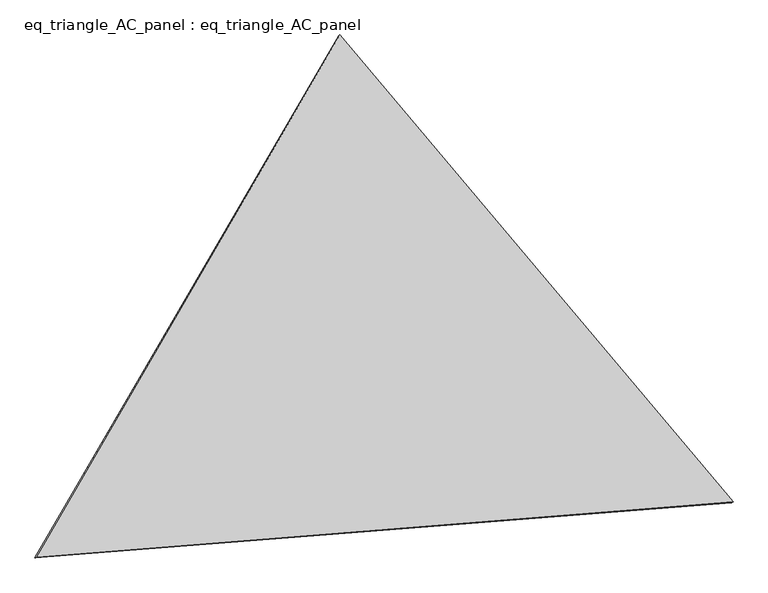
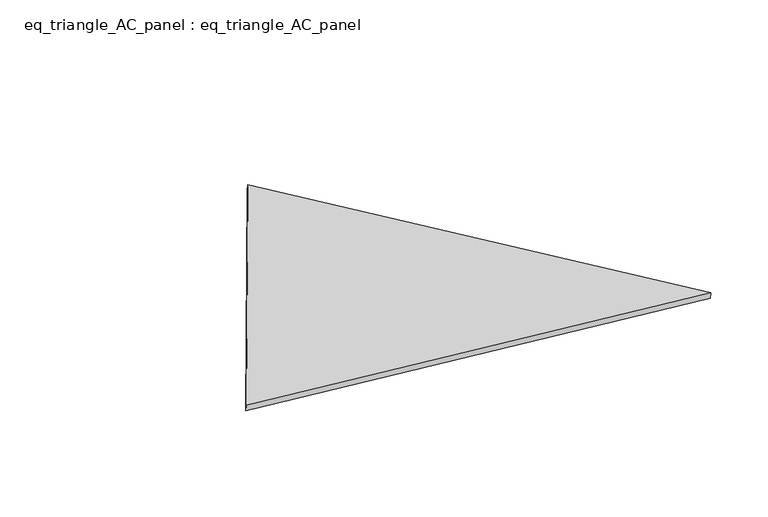
"""IFC4 building model written with IfcOpenShell, lengths in millimetres: proxy geometry, eq_triangle_AC_panel : eq_triangle_AC_panel."""

from ifc_helpers import new_model, si_unit, frame, origin, place, context, project, spatial, polyline, outline, extrude, source, transform, mapped, element, save


def eq_triangle_ac_panel_eq_triangle_ac_panel_ca3604b1(model_context):
    return source(origin(), model_context, "Body", "SweptSolid", [
        extrude(outline(polyline([(-1545.5360696, 1096.9348356), (1940.6188186, 1096.9348357), (-395.0827491, -2193.8696712), (-1545.5360696, 1096.9348356)])), frame((0.0038051, 527.9290861, 89.8240019), z_axis=(0.14526328518058187, 0.08386570281802178, 0.9858321976225894), x_axis=(0.6434012542711849, -0.7649515786664899, -0.029730595317134696)), (0.0, 0.0, 1.0), 43.8306294),
    ])


if __name__ == "__main__":
    model = new_model("IFC4")
    model_context = context("Model", 3, world=origin())
    ifc_project = project(units=[si_unit("LENGTHUNIT", "METRE", prefix="MILLI")], contexts=[model_context])
    site = spatial("IfcSite", under=ifc_project)
    building = spatial("IfcBuilding", under=site)
    placement = place(None, origin())
    eq_triangle_ac_panel_eq_triangle_ac_panel_shape = eq_triangle_ac_panel_eq_triangle_ac_panel_ca3604b1(model_context)
    element("IfcBuildingElementProxy", 1, Name="eq_triangle_AC_panel : eq_triangle_AC_panel", ObjectType="eq_triangle_AC_panel : eq_triangle_AC_panel", at=placement, inside=building, context=model_context, shape_type="MappedRepresentation", body=[
        mapped(eq_triangle_ac_panel_eq_triangle_ac_panel_shape, transform((0.0, 0.0, 0.0), x_axis=(1.0, 0.0, 0.0), y_axis=(0.0, 1.0, 0.0), z_axis=(0.0, 0.0, 1.0))),
    ])
    save(model, "model.ifc")
